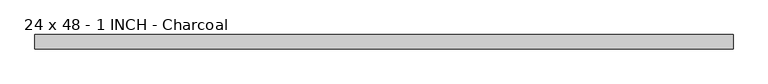
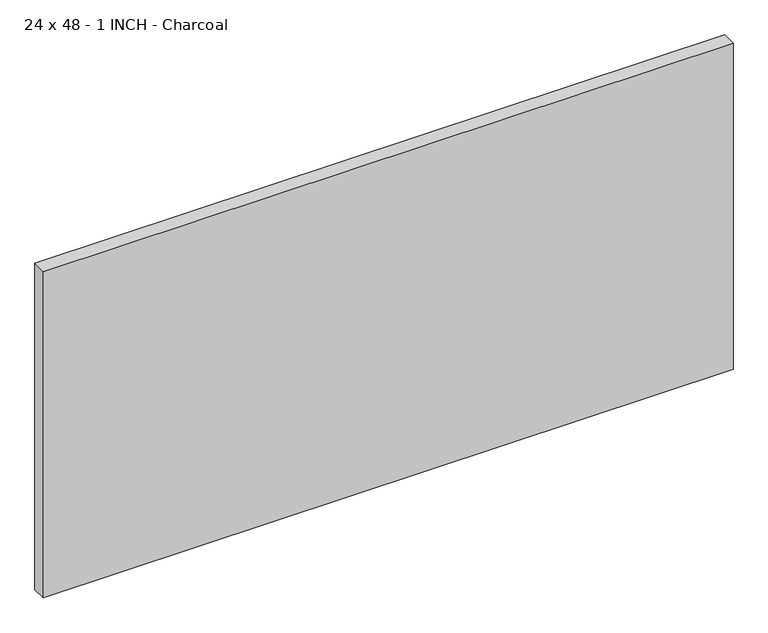
"""IFC4 building model written with IfcOpenShell, lengths in millimetres: proxy geometry, 24 x 48 - 1 INCH - Charcoal."""

from ifc_helpers import new_model, si_unit, origin, origin_with_axes, place, context, project, spatial, polyline, outline, extrude, source, transform, mapped, element, save


def proxy_24_x_48_1_inch_charcoal_e6cd1cce(model_context):
    return source(origin(), model_context, "Body", "SweptSolid", [
        extrude(outline(polyline([(609.6, -25.4), (-609.6, -25.4), (-609.6, 0.0), (609.6, 0.0), (609.6, -25.4)])), origin_with_axes(), (0.0, 0.0, 1.0), 609.6),
    ])


if __name__ == "__main__":
    model = new_model("IFC4")
    model_context = context("Model", 3, world=origin())
    ifc_project = project(units=[si_unit("LENGTHUNIT", "METRE", prefix="MILLI")], contexts=[model_context])
    site = spatial("IfcSite", under=ifc_project)
    building = spatial("IfcBuilding", under=site)
    placement = place(None, origin())
    proxy_24_x_48_1_inch_charcoal_shape = proxy_24_x_48_1_inch_charcoal_e6cd1cce(model_context)
    element("IfcBuildingElementProxy", 1, Name="24 x 48 - 1 INCH - Charcoal", ObjectType="24 x 48 - 1 INCH - Charcoal", at=placement, inside=building, context=model_context, shape_type="MappedRepresentation", body=[
        mapped(proxy_24_x_48_1_inch_charcoal_shape, transform((0.0, 0.0, 0.0), x_axis=(1.0, 0.0, 0.0), y_axis=(0.0, 1.0, 0.0), z_axis=(0.0, 0.0, 1.0))),
    ])
    save(model, "model.ifc")
